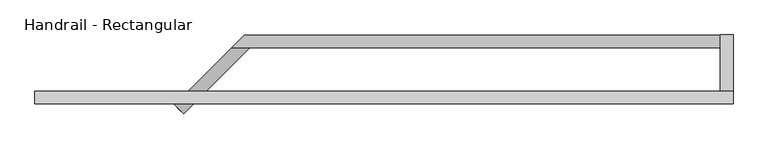
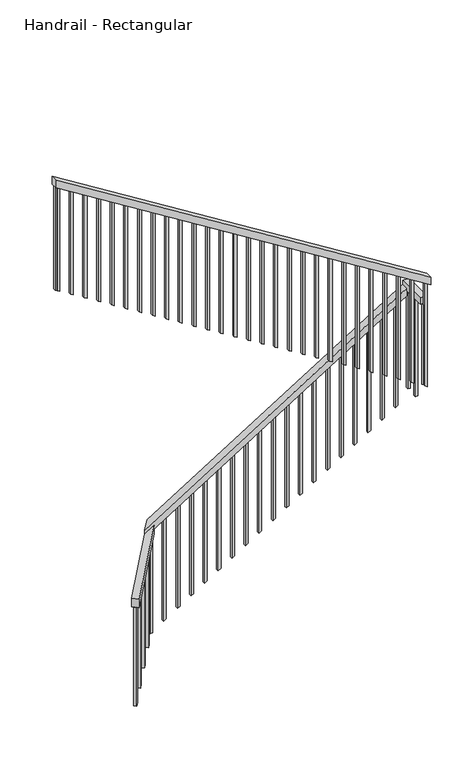
"""IFC4 building model written with IfcOpenShell, lengths in millimetres: railing geometry, Handrail - Rectangular."""

from ifc_helpers import new_model, si_unit, frame, origin, place, context, project, spatial, polyline, outline, extrude, faceted_brep, source, transform, mapped, element, save


def handrail_rectangular_dcba349a(model_context):
    return source(origin(), model_context, "Body", "SolidModel", [
        faceted_brep([(-1737.1974954, -4666.9528821, 1088.5714286), (-1773.1185199, -4631.0318576, 1088.5714286), (-1773.1185199, -4631.0318576, 1020.8491632), (-1737.1974954, -4666.9528821, 1020.8491632), (-1472.676471, -4402.4318576, 1418.3638747), (-1472.676471, -4402.4318576, 1350.6416093), (-1544.5185199, -4402.4318576, 1305.8569554), (-1544.5185199, -4402.4318576, 1373.5792208)], [[[0, 1, 2, 3]], [[4, 5, 6, 7]], [[1, 0, 4, 7]], [[2, 1, 7, 6]], [[3, 2, 6, 5]], [[0, 3, 5, 4]]]),
        faceted_brep([(-1544.5185199, -4402.4318576, 1405.2467532), (-1493.7185199, -4351.6318576, 1436.9142857), (-1493.7185199, -4351.6318576, 1377.0521724), (-1544.5185199, -4402.4318576, 1345.3846399), (411.2814801, -4402.4318576, 2624.4467532), (411.2814801, -4402.4318576, 2564.5846399), (411.2814801, -4351.6318576, 2564.5846399), (411.2814801, -4351.6318576, 2624.4467532)], [[[0, 1, 2, 3]], [[4, 5, 6, 7]], [[1, 0, 4, 7]], [[2, 1, 7, 6]], [[3, 2, 6, 5]], [[0, 3, 5, 4]]]),
        faceted_brep([(411.2814801, -4351.6318576, 2656.1142857), (462.0814801, -4351.6318576, 2656.1142857), (462.0814801, -4351.6318576, 2605.3142857), (411.2814801, -4351.6318576, 2605.3142857), (411.2814801, -4576.574518, 2656.1142857), (411.2814801, -4576.574518, 2605.3142857), (462.0814801, -4576.574518, 2605.3142857), (462.0814801, -4576.574518, 2656.1142857)], [[[0, 1, 2, 3]], [[4, 5, 6, 7]], [[1, 0, 4, 7]], [[2, 1, 7, 6]], [[3, 2, 6, 5]], [[0, 3, 5, 4]]]),
        faceted_brep([(462.0814801, -4576.574518, 2830.2857143), (462.0814801, -4627.374518, 2830.2857143), (462.0814801, -4627.374518, 2770.423601), (462.0814801, -4576.574518, 2770.423601), (-2331.9185199, -4576.574518, 4572.0), (-2331.9185199, -4576.574518, 4512.1378867), (-2331.9185199, -4627.374518, 4512.1378867), (-2331.9185199, -4627.374518, 4572.0)], [[[0, 1, 2, 3]], [[4, 5, 6, 7]], [[1, 0, 4, 7]], [[2, 1, 7, 6]], [[3, 2, 6, 5]], [[0, 3, 5, 4]]]),
        extrude(outline(polyline([(4490.3664581, -2296.9935199), (4502.2417828, -2316.0435199), (3687.2852981, -2316.0435199), (3675.4099734, -2296.9935199), (4490.3664581, -2296.9935199)])), frame((0.0, -4611.499518, 0.0), z_axis=(0.0, 1.0, 0.0), x_axis=(0.0, 0.0, 1.0)), (0.0, 0.0, 1.0), 19.05),
        extrude(outline(polyline([(4427.0313932, -2195.3935199), (4438.9067178, -2214.4435199), (3623.9502331, -2214.4435199), (3612.0749085, -2195.3935199), (4427.0313932, -2195.3935199)])), frame((0.0, -4611.499518, 0.0), z_axis=(0.0, 1.0, 0.0), x_axis=(0.0, 0.0, 1.0)), (0.0, 0.0, 1.0), 19.05),
        extrude(outline(polyline([(4363.6963282, -2093.7935199), (4375.5716529, -2112.8435199), (3560.6151682, -2112.8435199), (3548.7398435, -2093.7935199), (4363.6963282, -2093.7935199)])), frame((0.0, -4611.499518, 0.0), z_axis=(0.0, 1.0, 0.0), x_axis=(0.0, 0.0, 1.0)), (0.0, 0.0, 1.0), 19.05),
        extrude(outline(polyline([(4300.3612633, -1992.1935199), (4312.236588, -2011.2435199), (3497.2801033, -2011.2435199), (3485.4047786, -1992.1935199), (4300.3612633, -1992.1935199)])), frame((0.0, -4611.499518, 0.0), z_axis=(0.0, 1.0, 0.0), x_axis=(0.0, 0.0, 1.0)), (0.0, 0.0, 1.0), 19.05),
        extrude(outline(polyline([(4237.0261984, -1890.5935199), (4248.901523, -1909.6435199), (3433.9450383, -1909.6435199), (3422.0697137, -1890.5935199), (4237.0261984, -1890.5935199)])), frame((0.0, -4611.499518, 0.0), z_axis=(0.0, 1.0, 0.0), x_axis=(0.0, 0.0, 1.0)), (0.0, 0.0, 1.0), 19.05),
        extrude(outline(polyline([(4173.6911334, -1788.9935199), (4185.5664581, -1808.0435199), (3370.6099734, -1808.0435199), (3358.7346487, -1788.9935199), (4173.6911334, -1788.9935199)])), frame((0.0, -4611.499518, 0.0), z_axis=(0.0, 1.0, 0.0), x_axis=(0.0, 0.0, 1.0)), (0.0, 0.0, 1.0), 19.05),
        extrude(outline(polyline([(4110.3560685, -1687.3935199), (4122.2313932, -1706.4435199), (3307.2749085, -1706.4435199), (3295.3995838, -1687.3935199), (4110.3560685, -1687.3935199)])), frame((0.0, -4611.499518, 0.0), z_axis=(0.0, 1.0, 0.0), x_axis=(0.0, 0.0, 1.0)), (0.0, 0.0, 1.0), 19.05),
        extrude(outline(polyline([(4047.0210036, -1585.7935199), (4058.8963282, -1604.8435199), (3243.9398435, -1604.8435199), (3232.0645188, -1585.7935199), (4047.0210036, -1585.7935199)])), frame((0.0, -4611.499518, 0.0), z_axis=(0.0, 1.0, 0.0), x_axis=(0.0, 0.0, 1.0)), (0.0, 0.0, 1.0), 19.05),
        extrude(outline(polyline([(3983.6859386, -1484.1935199), (3995.5612633, -1503.2435199), (3180.6047786, -1503.2435199), (3168.7294539, -1484.1935199), (3983.6859386, -1484.1935199)])), frame((0.0, -4611.499518, 0.0), z_axis=(0.0, 1.0, 0.0), x_axis=(0.0, 0.0, 1.0)), (0.0, 0.0, 1.0), 19.05),
        extrude(outline(polyline([(3920.3508737, -1382.5935199), (3932.2261984, -1401.6435199), (3117.2697137, -1401.6435199), (3105.394389, -1382.5935199), (3920.3508737, -1382.5935199)])), frame((0.0, -4611.499518, 0.0), z_axis=(0.0, 1.0, 0.0), x_axis=(0.0, 0.0, 1.0)), (0.0, 0.0, 1.0), 19.05),
        extrude(outline(polyline([(3857.0158087, -1280.9935199), (3868.8911334, -1300.0435199), (3053.9346487, -1300.0435199), (3042.059324, -1280.9935199), (3857.0158087, -1280.9935199)])), frame((0.0, -4611.499518, 0.0), z_axis=(0.0, 1.0, 0.0), x_axis=(0.0, 0.0, 1.0)), (0.0, 0.0, 1.0), 19.05),
        extrude(outline(polyline([(3793.6807438, -1179.3935199), (3805.5560685, -1198.4435199), (2990.5995838, -1198.4435199), (2978.7242591, -1179.3935199), (3793.6807438, -1179.3935199)])), frame((0.0, -4611.499518, 0.0), z_axis=(0.0, 1.0, 0.0), x_axis=(0.0, 0.0, 1.0)), (0.0, 0.0, 1.0), 19.05),
        extrude(outline(polyline([(3730.3456789, -1077.7935199), (3742.2210036, -1096.8435199), (2927.2645188, -1096.8435199), (2915.3891942, -1077.7935199), (3730.3456789, -1077.7935199)])), frame((0.0, -4611.499518, 0.0), z_axis=(0.0, 1.0, 0.0), x_axis=(0.0, 0.0, 1.0)), (0.0, 0.0, 1.0), 19.05),
        extrude(outline(polyline([(3667.0106139, -976.1935199), (3678.8859386, -995.2435199), (2863.9294539, -995.2435199), (2852.0541292, -976.1935199), (3667.0106139, -976.1935199)])), frame((0.0, -4611.499518, 0.0), z_axis=(0.0, 1.0, 0.0), x_axis=(0.0, 0.0, 1.0)), (0.0, 0.0, 1.0), 19.05),
        extrude(outline(polyline([(3603.675549, -874.5935199), (3615.5508737, -893.6435199), (2800.594389, -893.6435199), (2788.7190643, -874.5935199), (3603.675549, -874.5935199)])), frame((0.0, -4611.499518, 0.0), z_axis=(0.0, 1.0, 0.0), x_axis=(0.0, 0.0, 1.0)), (0.0, 0.0, 1.0), 19.05),
        extrude(outline(polyline([(3540.3404841, -772.9935199), (3552.2158087, -792.0435199), (2737.259324, -792.0435199), (2725.3839994, -772.9935199), (3540.3404841, -772.9935199)])), frame((0.0, -4611.499518, 0.0), z_axis=(0.0, 1.0, 0.0), x_axis=(0.0, 0.0, 1.0)), (0.0, 0.0, 1.0), 19.05),
        extrude(outline(polyline([(3477.0054191, -671.3935199), (3488.8807438, -690.4435199), (2673.9242591, -690.4435199), (2662.0489344, -671.3935199), (3477.0054191, -671.3935199)])), frame((0.0, -4611.499518, 0.0), z_axis=(0.0, 1.0, 0.0), x_axis=(0.0, 0.0, 1.0)), (0.0, 0.0, 1.0), 19.05),
        extrude(outline(polyline([(3413.6703542, -569.7935199), (3425.5456789, -588.8435199), (2610.5891942, -588.8435199), (2598.7138695, -569.7935199), (3413.6703542, -569.7935199)])), frame((0.0, -4611.499518, 0.0), z_axis=(0.0, 1.0, 0.0), x_axis=(0.0, 0.0, 1.0)), (0.0, 0.0, 1.0), 19.05),
        extrude(outline(polyline([(3350.3352893, -468.1935199), (3362.2106139, -487.2435199), (2547.2541292, -487.2435199), (2535.3788046, -468.1935199), (3350.3352893, -468.1935199)])), frame((0.0, -4611.499518, 0.0), z_axis=(0.0, 1.0, 0.0), x_axis=(0.0, 0.0, 1.0)), (0.0, 0.0, 1.0), 19.05),
        extrude(outline(polyline([(3287.0002243, -366.5935199), (3298.875549, -385.6435199), (2483.9190643, -385.6435199), (2472.0437396, -366.5935199), (3287.0002243, -366.5935199)])), frame((0.0, -4611.499518, 0.0), z_axis=(0.0, 1.0, 0.0), x_axis=(0.0, 0.0, 1.0)), (0.0, 0.0, 1.0), 19.05),
        extrude(outline(polyline([(3223.6651594, -264.9935199), (3235.5404841, -284.0435199), (2420.5839994, -284.0435199), (2408.7086747, -264.9935199), (3223.6651594, -264.9935199)])), frame((0.0, -4611.499518, 0.0), z_axis=(0.0, 1.0, 0.0), x_axis=(0.0, 0.0, 1.0)), (0.0, 0.0, 1.0), 19.05),
        extrude(outline(polyline([(3160.3300945, -163.3935199), (3172.2054191, -182.4435199), (2357.2489344, -182.4435199), (2345.3736098, -163.3935199), (3160.3300945, -163.3935199)])), frame((0.0, -4611.499518, 0.0), z_axis=(0.0, 1.0, 0.0), x_axis=(0.0, 0.0, 1.0)), (0.0, 0.0, 1.0), 19.05),
        extrude(outline(polyline([(3096.9950295, -61.7935199), (3108.8703542, -80.8435199), (2293.9138695, -80.8435199), (2282.0385448, -61.7935199), (3096.9950295, -61.7935199)])), frame((0.0, -4611.499518, 0.0), z_axis=(0.0, 1.0, 0.0), x_axis=(0.0, 0.0, 1.0)), (0.0, 0.0, 1.0), 19.05),
        extrude(outline(polyline([(3033.6599646, 39.8064801), (3045.5352893, 20.7564801), (2230.5788046, 20.7564801), (2218.7034799, 39.8064801), (3033.6599646, 39.8064801)])), frame((0.0, -4611.499518, 0.0), z_axis=(0.0, 1.0, 0.0), x_axis=(0.0, 0.0, 1.0)), (0.0, 0.0, 1.0), 19.05),
        extrude(outline(polyline([(2970.3248997, 141.4064801), (2982.2002243, 122.3564801), (2167.2437396, 122.3564801), (2155.368415, 141.4064801), (2970.3248997, 141.4064801)])), frame((0.0, -4611.499518, 0.0), z_axis=(0.0, 1.0, 0.0), x_axis=(0.0, 0.0, 1.0)), (0.0, 0.0, 1.0), 19.05),
        extrude(outline(polyline([(2906.9898347, 243.0064801), (2918.8651594, 223.9564801), (2103.9086747, 223.9564801), (2092.03335, 243.0064801), (2906.9898347, 243.0064801)])), frame((0.0, -4611.499518, 0.0), z_axis=(0.0, 1.0, 0.0), x_axis=(0.0, 0.0, 1.0)), (0.0, 0.0, 1.0), 19.05),
        extrude(outline(polyline([(2843.6547698, 344.6064801), (2855.5300945, 325.5564801), (2040.5736098, 325.5564801), (2028.6982851, 344.6064801), (2843.6547698, 344.6064801)])), frame((0.0, -4611.499518, 0.0), z_axis=(0.0, 1.0, 0.0), x_axis=(0.0, 0.0, 1.0)), (0.0, 0.0, 1.0), 19.05),
        extrude(outline(polyline([(-4589.7568576, 2605.3142857), (-4570.7068576, 2605.3142857), (-4570.7068576, 1965.3632201), (-4589.7568576, 1977.2385448), (-4589.7568576, 2605.3142857)])), frame((427.1564801, 0.0, 0.0), z_axis=(1.0, 0.0, 0.0), x_axis=(0.0, 1.0, 0.0)), (0.0, 0.0, 1.0), 19.05),
        extrude(outline(polyline([(427.1564801, -4469.1068576), (446.2064801, -4469.1068576), (446.2064801, -4488.1568576), (427.1564801, -4488.1568576), (427.1564801, -4469.1068576)])), frame((0.0, 0.0, 1817.9142857), z_axis=(0.0, 0.0, 1.0), x_axis=(1.0, 0.0, 0.0)), (0.0, 0.0, 1.0), 787.4),
        extrude(outline(polyline([(2529.5795643, 355.1275046), (2517.7042396, 336.0775046), (1702.7477549, 336.0775046), (1714.6230796, 355.1275046), (2529.5795643, 355.1275046)])), frame((0.0, -4386.5568576, 0.0), z_axis=(0.0, 1.0, 0.0), x_axis=(0.0, 0.0, 1.0)), (0.0, 0.0, 1.0), 19.05),
        extrude(outline(polyline([(2466.2444993, 253.5275046), (2454.3691747, 234.4775046), (1639.41269, 234.4775046), (1651.2880146, 253.5275046), (2466.2444993, 253.5275046)])), frame((0.0, -4386.5568576, 0.0), z_axis=(0.0, 1.0, 0.0), x_axis=(0.0, 0.0, 1.0)), (0.0, 0.0, 1.0), 19.05),
        extrude(outline(polyline([(2402.9094344, 151.9275046), (2391.0341097, 132.8775046), (1576.077625, 132.8775046), (1587.9529497, 151.9275046), (2402.9094344, 151.9275046)])), frame((0.0, -4386.5568576, 0.0), z_axis=(0.0, 1.0, 0.0), x_axis=(0.0, 0.0, 1.0)), (0.0, 0.0, 1.0), 19.05),
        extrude(outline(polyline([(2339.5743695, 50.3275046), (2327.6990448, 31.2775046), (1512.7425601, 31.2775046), (1524.6178848, 50.3275046), (2339.5743695, 50.3275046)])), frame((0.0, -4386.5568576, 0.0), z_axis=(0.0, 1.0, 0.0), x_axis=(0.0, 0.0, 1.0)), (0.0, 0.0, 1.0), 19.05),
        extrude(outline(polyline([(2276.2393045, -51.2724954), (2264.3639799, -70.3224954), (1449.4074951, -70.3224954), (1461.2828198, -51.2724954), (2276.2393045, -51.2724954)])), frame((0.0, -4386.5568576, 0.0), z_axis=(0.0, 1.0, 0.0), x_axis=(0.0, 0.0, 1.0)), (0.0, 0.0, 1.0), 19.05),
        extrude(outline(polyline([(2212.9042396, -152.8724954), (2201.0289149, -171.9224954), (1386.0724302, -171.9224954), (1397.9477549, -152.8724954), (2212.9042396, -152.8724954)])), frame((0.0, -4386.5568576, 0.0), z_axis=(0.0, 1.0, 0.0), x_axis=(0.0, 0.0, 1.0)), (0.0, 0.0, 1.0), 19.05),
        extrude(outline(polyline([(2149.5691747, -254.4724954), (2137.69385, -273.5224954), (1322.7373653, -273.5224954), (1334.61269, -254.4724954), (2149.5691747, -254.4724954)])), frame((0.0, -4386.5568576, 0.0), z_axis=(0.0, 1.0, 0.0), x_axis=(0.0, 0.0, 1.0)), (0.0, 0.0, 1.0), 19.05),
        extrude(outline(polyline([(2086.2341097, -356.0724954), (2074.358785, -375.1224954), (1259.4023003, -375.1224954), (1271.277625, -356.0724954), (2086.2341097, -356.0724954)])), frame((0.0, -4386.5568576, 0.0), z_axis=(0.0, 1.0, 0.0), x_axis=(0.0, 0.0, 1.0)), (0.0, 0.0, 1.0), 19.05),
        extrude(outline(polyline([(2022.8990448, -457.6724954), (2011.0237201, -476.7224954), (1196.0672354, -476.7224954), (1207.9425601, -457.6724954), (2022.8990448, -457.6724954)])), frame((0.0, -4386.5568576, 0.0), z_axis=(0.0, 1.0, 0.0), x_axis=(0.0, 0.0, 1.0)), (0.0, 0.0, 1.0), 19.05),
        extrude(outline(polyline([(1959.5639799, -559.2724954), (1947.6886552, -578.3224954), (1132.7321705, -578.3224954), (1144.6074951, -559.2724954), (1959.5639799, -559.2724954)])), frame((0.0, -4386.5568576, 0.0), z_axis=(0.0, 1.0, 0.0), x_axis=(0.0, 0.0, 1.0)), (0.0, 0.0, 1.0), 19.05),
        extrude(outline(polyline([(1896.2289149, -660.8724954), (1884.3535902, -679.9224954), (1069.3971055, -679.9224954), (1081.2724302, -660.8724954), (1896.2289149, -660.8724954)])), frame((0.0, -4386.5568576, 0.0), z_axis=(0.0, 1.0, 0.0), x_axis=(0.0, 0.0, 1.0)), (0.0, 0.0, 1.0), 19.05),
        extrude(outline(polyline([(1832.89385, -762.4724954), (1821.0185253, -781.5224954), (1006.0620406, -781.5224954), (1017.9373653, -762.4724954), (1832.89385, -762.4724954)])), frame((0.0, -4386.5568576, 0.0), z_axis=(0.0, 1.0, 0.0), x_axis=(0.0, 0.0, 1.0)), (0.0, 0.0, 1.0), 19.05),
        extrude(outline(polyline([(1769.558785, -864.0724954), (1757.6834604, -883.1224954), (942.7269757, -883.1224954), (954.6023003, -864.0724954), (1769.558785, -864.0724954)])), frame((0.0, -4386.5568576, 0.0), z_axis=(0.0, 1.0, 0.0), x_axis=(0.0, 0.0, 1.0)), (0.0, 0.0, 1.0), 19.05),
        extrude(outline(polyline([(1706.2237201, -965.6724954), (1694.3483954, -984.7224954), (879.3919107, -984.7224954), (891.2672354, -965.6724954), (1706.2237201, -965.6724954)])), frame((0.0, -4386.5568576, 0.0), z_axis=(0.0, 1.0, 0.0), x_axis=(0.0, 0.0, 1.0)), (0.0, 0.0, 1.0), 19.05),
        extrude(outline(polyline([(1642.8886552, -1067.2724954), (1631.0133305, -1086.3224954), (816.0568458, -1086.3224954), (827.9321705, -1067.2724954), (1642.8886552, -1067.2724954)])), frame((0.0, -4386.5568576, 0.0), z_axis=(0.0, 1.0, 0.0), x_axis=(0.0, 0.0, 1.0)), (0.0, 0.0, 1.0), 19.05),
        extrude(outline(polyline([(1579.5535902, -1168.8724954), (1567.6782656, -1187.9224954), (752.7217809, -1187.9224954), (764.5971055, -1168.8724954), (1579.5535902, -1168.8724954)])), frame((0.0, -4386.5568576, 0.0), z_axis=(0.0, 1.0, 0.0), x_axis=(0.0, 0.0, 1.0)), (0.0, 0.0, 1.0), 19.05),
        extrude(outline(polyline([(1516.2185253, -1270.4724954), (1504.3432006, -1289.5224954), (689.3867159, -1289.5224954), (701.2620406, -1270.4724954), (1516.2185253, -1270.4724954)])), frame((0.0, -4386.5568576, 0.0), z_axis=(0.0, 1.0, 0.0), x_axis=(0.0, 0.0, 1.0)), (0.0, 0.0, 1.0), 19.05),
        extrude(outline(polyline([(1452.8834604, -1372.0724954), (1441.0081357, -1391.1224954), (626.051651, -1391.1224954), (637.9269757, -1372.0724954), (1452.8834604, -1372.0724954)])), frame((0.0, -4386.5568576, 0.0), z_axis=(0.0, 1.0, 0.0), x_axis=(0.0, 0.0, 1.0)), (0.0, 0.0, 1.0), 19.05),
        extrude(outline(polyline([(220.2028774, -19.05), (236.9971226, 0.0), (1014.955934, 0.0), (998.1616888, -19.05), (220.2028774, -19.05)])), frame((-1539.6318608, -4446.9366072, 1518.1570866), z_axis=(-0.7071067811865449, 0.7071067811865502, 0.0), x_axis=(0.0, 0.0, -1.0)), (0.0, 0.0, 1.0), 19.05),
        extrude(outline(polyline([(220.2028774, -19.05), (236.9971226, 0.0), (1014.955934, 0.0), (998.1616888, -19.05), (220.2028774, -19.05)])), frame((-1611.4739097, -4518.7786561, 1428.5877788), z_axis=(-0.7071067811865449, 0.7071067811865502, 0.0), x_axis=(0.0, 0.0, -1.0)), (0.0, 0.0, 1.0), 19.05),
        extrude(outline(polyline([(220.2028774, -19.05), (236.9971226, 0.0), (1014.955934, 0.0), (998.1616888, -19.05), (220.2028774, -19.05)])), frame((-1683.3159587, -4590.6207051, 1339.018471), z_axis=(-0.7071067811865449, 0.7071067811865502, 0.0), x_axis=(0.0, 0.0, -1.0)), (0.0, 0.0, 1.0), 19.05),
        extrude(outline(polyline([(2780.3197048, 446.2064801), (2792.1950295, 427.1564801), (1977.2385448, 427.1564801), (1965.3632201, 446.2064801), (2780.3197048, 446.2064801)])), frame((0.0, -4611.499518, 0.0), z_axis=(0.0, 1.0, 0.0), x_axis=(0.0, 0.0, 1.0)), (0.0, 0.0, 1.0), 19.05),
        extrude(outline(polyline([(427.1564801, -4367.5068576), (446.2064801, -4367.5068576), (446.2064801, -4386.5568576), (427.1564801, -4386.5568576), (427.1564801, -4367.5068576)])), frame((0.0, 0.0, 1817.9142857), z_axis=(0.0, 0.0, 1.0), x_axis=(1.0, 0.0, 0.0)), (0.0, 0.0, 1.0), 787.4),
        extrude(outline(polyline([(1389.5483954, -1473.6724954), (1377.6730708, -1492.7224954), (562.0956877, -1492.7224954), (562.0956877, -1473.6724954), (1389.5483954, -1473.6724954)])), frame((0.0, -4386.5568576, 0.0), z_axis=(0.0, 1.0, 0.0), x_axis=(0.0, 0.0, 1.0)), (0.0, 0.0, 1.0), 19.05),
        extrude(outline(polyline([(4500.262562, -2312.8685199), (4512.1378867, -2331.9185199), (3697.181402, -2331.9185199), (3685.3060773, -2312.8685199), (4500.262562, -2312.8685199)])), frame((0.0, -4611.499518, 0.0), z_axis=(0.0, 1.0, 0.0), x_axis=(0.0, 0.0, 1.0)), (0.0, 0.0, 1.0), 19.05),
        extrude(outline(polyline([(220.2028774, -19.05), (236.9971226, 0.0), (1014.955934, 0.0), (998.1616888, -19.05), (220.2028774, -19.05)])), frame((-1748.4228156, -4655.727562, 1257.8462858), z_axis=(-0.7071067811865449, 0.7071067811865502, 0.0), x_axis=(0.0, 0.0, -1.0)), (0.0, 0.0, 1.0), 19.05),
    ])


if __name__ == "__main__":
    model = new_model("IFC4")
    model_context = context("Model", 3, world=origin())
    ifc_project = project(units=[si_unit("LENGTHUNIT", "METRE", prefix="MILLI")], contexts=[model_context])
    site = spatial("IfcSite", under=ifc_project)
    building = spatial("IfcBuilding", under=site)
    placement = place(None, origin())
    handrail_rectangular_shape = handrail_rectangular_dcba349a(model_context)
    element("IfcRailing", 1, ObjectType="Handrail - Rectangular", at=placement, inside=building, context=model_context, shape_type="MappedRepresentation", body=[
        mapped(handrail_rectangular_shape, transform((0.0, 0.0, 0.0), x_axis=(1.0, 0.0, 0.0), y_axis=(0.0, 1.0, 0.0), z_axis=(0.0, 0.0, 1.0))),
    ])
    save(model, "model.ifc")
